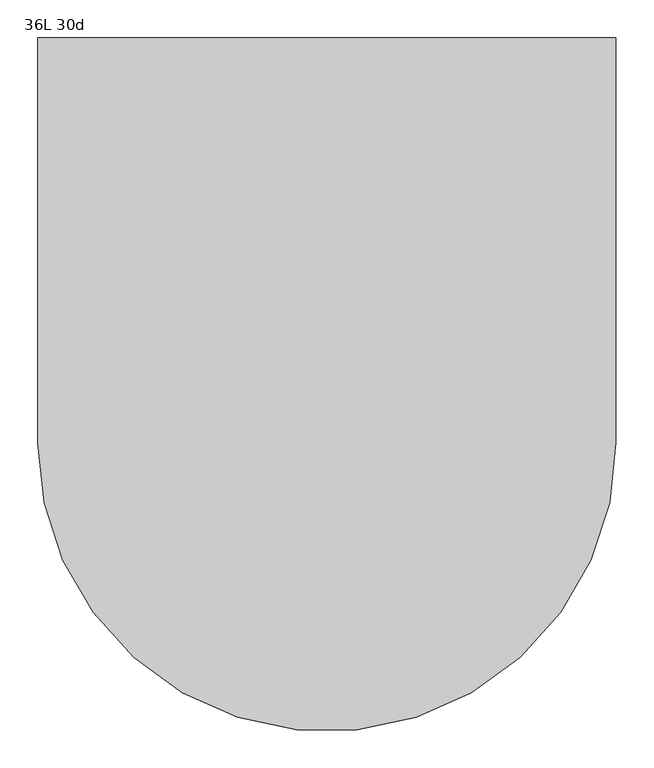
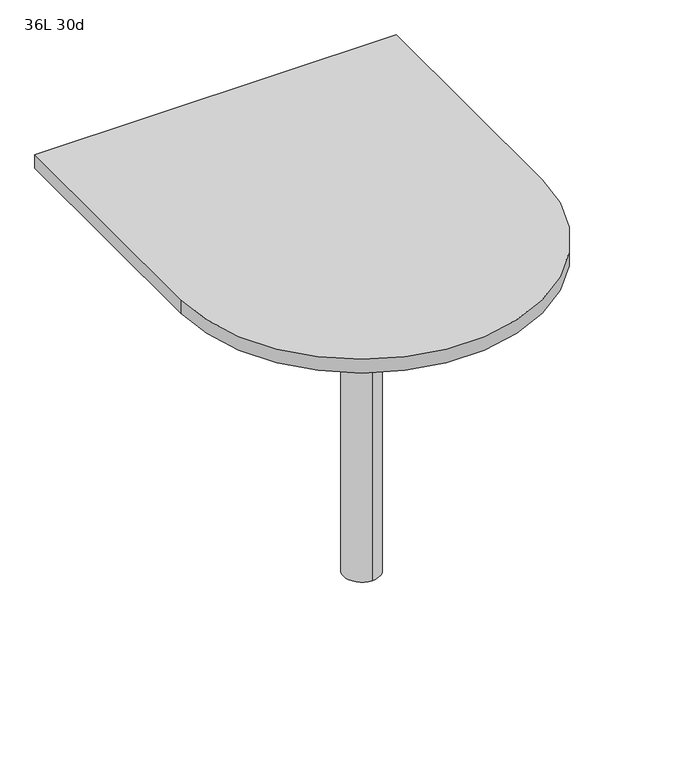
"""IFC4 building model written with IfcOpenShell, lengths in millimetres: furniture geometry, 36L 30d."""

from ifc_helpers import new_model, si_unit, point, frame, frame_2d, origin, place, context, project, spatial, polyline, circle_curve, trimmed, segment, composite_curve, outline, extrude, source, transform, mapped, element, save
from ifc_brep_helpers import plane_surface, cylinder_surface, advanced_brep


def furniture_36l_30d_fc24cb42(model_context):
    return source(origin(), model_context, "Body", "SolidModel", [
        advanced_brep(
        [(0.0, -38.1, 706.4375), (0.0, -114.3, 706.4375), (0.0, -76.2, 706.4375), (0.0, -38.1, 0.0), (0.0, -114.3, 0.0), (0.0, -76.2, 0.0)],
        [
            (0, 1, circle_curve(frame((0.0, -76.2, 706.4375), z_axis=(0.0, 0.0, 1.0), x_axis=(0.0, -1.0, 0.0)), 38.1)),
            (1, 2),
            (2, 0),
            (1, 0, circle_curve(frame((0.0, -76.2, 706.4375), z_axis=(0.0, 0.0, 1.0), x_axis=(0.0, -1.0, 0.0)), 38.1)),
            (3, 4, circle_curve(frame((0.0, -76.2, 0.0), z_axis=(0.0, 0.0, 1.0), x_axis=(0.0, -1.0, 0.0)), 38.1)),
            (4, 1),
            (0, 3),
            (4, 3, circle_curve(frame((0.0, -76.2, 0.0), z_axis=(0.0, 0.0, 1.0), x_axis=(0.0, -1.0, 0.0)), 38.1)),
            (5, 4),
            (3, 5),
        ],
        [
            plane_surface(frame((0.0, -76.2, 706.4375), z_axis=(0.0, 0.0, 1.0), x_axis=(0.0, -1.0, 0.0))),
            cylinder_surface(frame((0.0, -76.2, 889.623257), z_axis=(0.0, 0.0, -1.0), x_axis=(0.0, -1.0, 0.0)), 38.1),
            plane_surface(frame((0.0, -76.2, 0.0), z_axis=(0.0, 0.0, -1.0), x_axis=(0.0, -1.0, 0.0))),
        ],
        [
            (0, [[1, 2, 3]]),
            (0, [[4, -3, -2]]),
            (1, [[5, 6, -1, 7]]),
            (1, [[8, -7, -4, -6]]),
            (2, [[9, -5, 10]]),
            (2, [[-10, -8, -9]]),
        ],
    ),
        extrude(outline(composite_curve([segment(polyline([(-381.0, -76.2), (-381.0, 457.2), (381.0, 457.2), (381.0, -76.2)]), True, "CONTINUOUS"), segment(trimmed(circle_curve(frame_2d((0.0, -76.2)), 381.0), [point((381.0, -76.2))], [point((-381.0, -76.2))], False, "CARTESIAN"), True, "CONTINUOUS")], self_intersect=False)), frame((0.0, 0.0, 706.4375), z_axis=(0.0, 0.0, 1.0), x_axis=(1.0, 0.0, 0.0)), (0.0, 0.0, 1.0), 30.1625),
    ])


if __name__ == "__main__":
    model = new_model("IFC4")
    model_context = context("Model", 3, world=origin())
    ifc_project = project(units=[si_unit("LENGTHUNIT", "METRE", prefix="MILLI")], contexts=[model_context])
    site = spatial("IfcSite", under=ifc_project)
    building = spatial("IfcBuilding", under=site)
    placement = place(None, origin())
    furniture_36l_30d_shape = furniture_36l_30d_fc24cb42(model_context)
    element("IfcFurniture", 1, ObjectType="36L 30d", at=placement, inside=building, context=model_context, shape_type="MappedRepresentation", body=[
        mapped(furniture_36l_30d_shape, transform((0.0, 0.0, 0.0), x_axis=(1.0, 0.0, 0.0), y_axis=(0.0, 1.0, 0.0), z_axis=(0.0, 0.0, 1.0))),
    ])
    save(model, "model.ifc")
